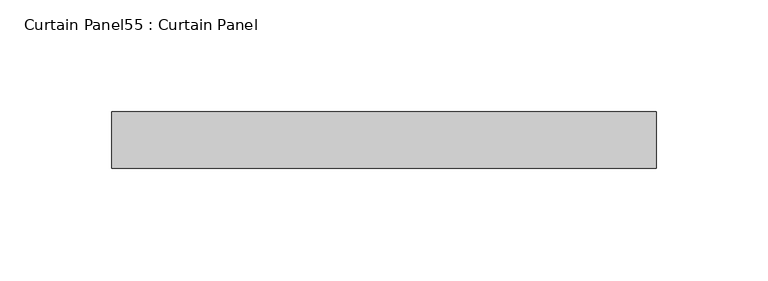
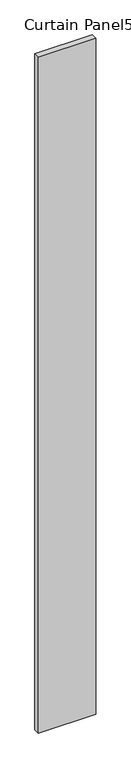
"""IFC4 building model written with IfcOpenShell, lengths in millimetres: plate geometry, Curtain Panel55 : Curtain Panel."""

from ifc_helpers import new_model, si_unit, origin, origin_with_axes, place, context, project, spatial, polyline, outline, extrude, source, transform, mapped, element, save


def curtain_panel55_curtain_panel_28dd3708(model_context):
    return source(origin(), model_context, "Body", "SweptSolid", [
        extrude(outline(polyline([(-347483.6590662, 3452.2261789), (-347239.4010544, 3452.2261789), (-347239.4010544, 3426.8261789), (-347483.6590662, 3426.8261789), (-347483.6590662, 3452.2261789)])), origin_with_axes(), (0.0, 0.0, 1.0), 3048.0),
    ])


if __name__ == "__main__":
    model = new_model("IFC4")
    model_context = context("Model", 3, world=origin())
    ifc_project = project(units=[si_unit("LENGTHUNIT", "METRE", prefix="MILLI")], contexts=[model_context])
    site = spatial("IfcSite", under=ifc_project)
    building = spatial("IfcBuilding", under=site)
    placement = place(None, origin())
    curtain_panel55_curtain_panel_shape = curtain_panel55_curtain_panel_28dd3708(model_context)
    element("IfcPlate", 1, ObjectType="Curtain Panel55 : Curtain Panel", at=placement, inside=building, context=model_context, shape_type="MappedRepresentation", body=[
        mapped(curtain_panel55_curtain_panel_shape, transform((0.0, 0.0, 0.0), x_axis=(1.0, 0.0, 0.0), y_axis=(0.0, 1.0, 0.0), z_axis=(0.0, 0.0, 1.0))),
    ])
    save(model, "model.ifc")
